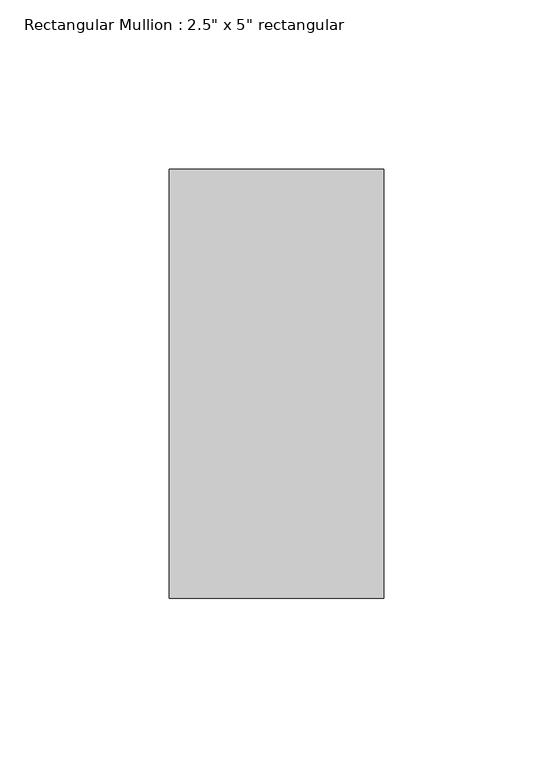
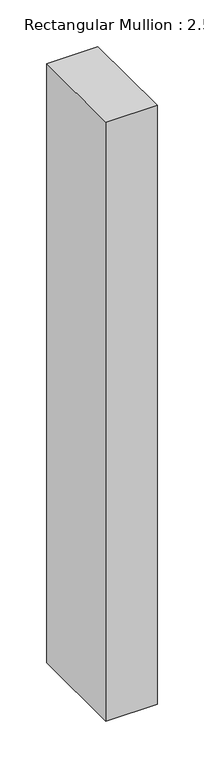
"""IFC4 building model written with IfcOpenShell, lengths in millimetres: member geometry."""

from ifc_helpers import new_model, si_unit, frame, origin, place, context, project, spatial, polyline, outline, extrude, source, transform, mapped, element, save


def member_4055bd12(model_context):
    return source(origin(), model_context, "Body", "SweptSolid", [
        extrude(outline(polyline([(31.75, 63.5), (31.75, -63.5), (-31.75, -63.5), (-31.75, 63.5), (31.75, 63.5)])), frame((0.0, 0.0, -784.517508), z_axis=(0.0, 0.0, 1.0), x_axis=(1.0, 0.0, 0.0)), (0.0, 0.0, 1.0), 784.517508),
    ])


if __name__ == "__main__":
    model = new_model("IFC4")
    model_context = context("Model", 3, world=origin())
    ifc_project = project(units=[si_unit("LENGTHUNIT", "METRE", prefix="MILLI")], contexts=[model_context])
    site = spatial("IfcSite", under=ifc_project)
    building = spatial("IfcBuilding", under=site)
    placement = place(None, origin())
    member_shape = member_4055bd12(model_context)
    element("IfcMember", 1, ObjectType="Rectangular Mullion : 2.5\" x 5\" rectangular", at=placement, inside=building, context=model_context, shape_type="MappedRepresentation", body=[
        mapped(member_shape, transform((0.0, 0.0, 0.0), x_axis=(1.0, 0.0, 0.0), y_axis=(0.0, 1.0, 0.0), z_axis=(0.0, 0.0, 1.0))),
    ])
    save(model, "model.ifc")
